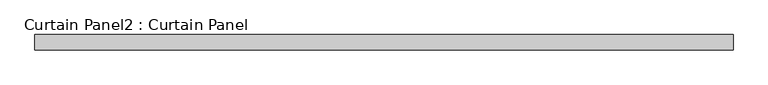
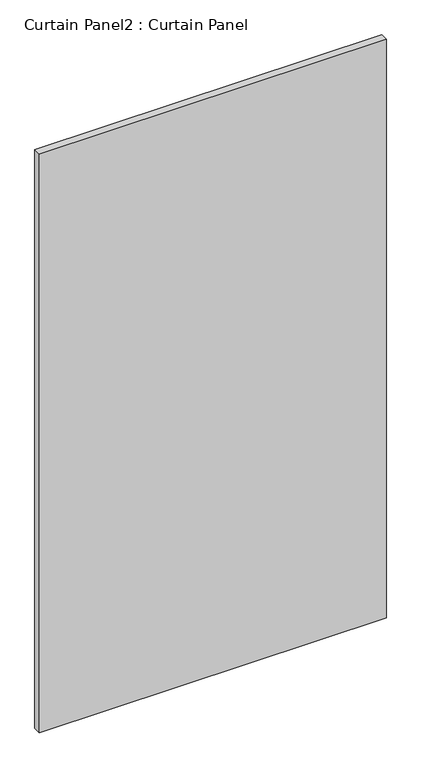
"""IFC4 building model written with IfcOpenShell, lengths in millimetres: plate geometry, Curtain Panel2 : Curtain Panel."""

from ifc_helpers import new_model, si_unit, frame, origin, place, context, project, spatial, polyline, outline, extrude, source, transform, mapped, element, save


def curtain_panel2_curtain_panel_5c020fb5(model_context):
    return source(origin(), model_context, "Body", "SweptSolid", [
        extrude(outline(polyline([(-293378.3274652, -494.5574136), (-294527.6774652, -494.5574136), (-294527.6774652, -469.1574136), (-293378.3274652, -469.1574136), (-293378.3274652, -494.5574136)])), frame((0.0, 0.0, -3576.637373), z_axis=(0.0, 0.0, 1.0), x_axis=(1.0, 0.0, 0.0)), (0.0, 0.0, 1.0), 2025.6236964),
    ])


if __name__ == "__main__":
    model = new_model("IFC4")
    model_context = context("Model", 3, world=origin())
    ifc_project = project(units=[si_unit("LENGTHUNIT", "METRE", prefix="MILLI")], contexts=[model_context])
    site = spatial("IfcSite", under=ifc_project)
    building = spatial("IfcBuilding", under=site)
    placement = place(None, origin())
    curtain_panel2_curtain_panel_shape = curtain_panel2_curtain_panel_5c020fb5(model_context)
    element("IfcPlate", 1, ObjectType="Curtain Panel2 : Curtain Panel", at=placement, inside=building, context=model_context, shape_type="MappedRepresentation", body=[
        mapped(curtain_panel2_curtain_panel_shape, transform((0.0, 0.0, 0.0), x_axis=(1.0, 0.0, 0.0), y_axis=(0.0, 1.0, 0.0), z_axis=(0.0, 0.0, 1.0))),
    ])
    save(model, "model.ifc")
